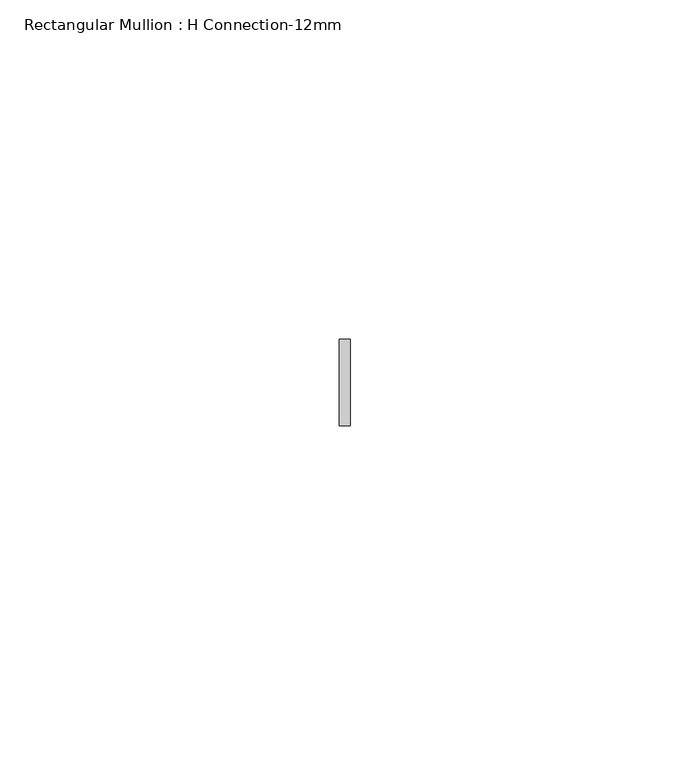
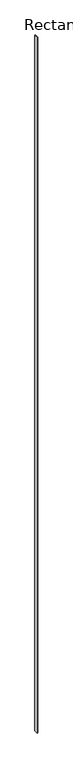
"""IFC4 building model written with IfcOpenShell, lengths in millimetres: member geometry, Rectangular Mullion : H Connection-12mm."""

from ifc_helpers import new_model, si_unit, frame, origin, place, context, project, spatial, polyline, outline, extrude, source, transform, mapped, element, save


def rectangular_mullion_h_connection_12mm_32811df5(model_context):
    return source(origin(), model_context, "Body", "SweptSolid", [
        extrude(outline(polyline([(0.79375, 6.35), (0.79375, -6.35), (-0.79375, -6.35), (-0.79375, 6.35), (0.79375, 6.35)])), frame((0.0, 0.0, -2386.0078176), z_axis=(0.0, 0.0, 1.0), x_axis=(1.0, 0.0, 0.0)), (0.0, 0.0, 1.0), 2386.0078176),
    ])


if __name__ == "__main__":
    model = new_model("IFC4")
    model_context = context("Model", 3, world=origin())
    ifc_project = project(units=[si_unit("LENGTHUNIT", "METRE", prefix="MILLI")], contexts=[model_context])
    site = spatial("IfcSite", under=ifc_project)
    building = spatial("IfcBuilding", under=site)
    placement = place(None, origin())
    rectangular_mullion_h_connection_12mm_shape = rectangular_mullion_h_connection_12mm_32811df5(model_context)
    element("IfcMember", 1, ObjectType="Rectangular Mullion : H Connection-12mm", at=placement, inside=building, context=model_context, shape_type="MappedRepresentation", body=[
        mapped(rectangular_mullion_h_connection_12mm_shape, transform((0.0, 0.0, 0.0), x_axis=(1.0, 0.0, 0.0), y_axis=(0.0, 1.0, 0.0), z_axis=(0.0, 0.0, 1.0))),
    ])
    save(model, "model.ifc")
